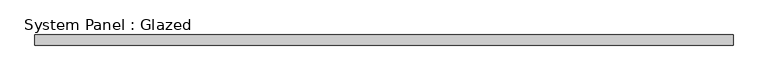
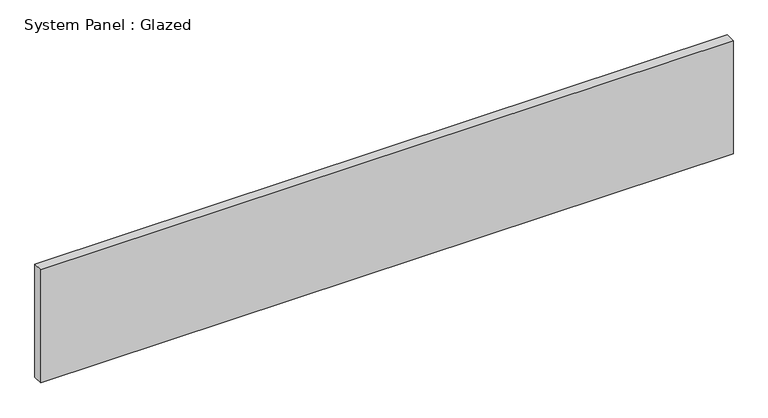
"""IFC4 building model written with IfcOpenShell, lengths in millimetres: plate geometry, System Panel : Glazed."""

from ifc_helpers import new_model, si_unit, origin, origin_with_axes, place, context, project, spatial, polyline, outline, extrude, source, transform, mapped, element, save


def system_panel_glazed_015b83a2(model_context):
    return source(origin(), model_context, "Body", "SweptSolid", [
        extrude(outline(polyline([(862.0, 24.5), (-862.0, 24.5), (-862.0, 49.5), (862.0, 49.5), (862.0, 24.5)])), origin_with_axes(), (0.0, 0.0, 1.0), 297.1692572),
    ])


if __name__ == "__main__":
    model = new_model("IFC4")
    model_context = context("Model", 3, world=origin())
    ifc_project = project(units=[si_unit("LENGTHUNIT", "METRE", prefix="MILLI")], contexts=[model_context])
    site = spatial("IfcSite", under=ifc_project)
    building = spatial("IfcBuilding", under=site)
    placement = place(None, origin())
    system_panel_glazed_shape = system_panel_glazed_015b83a2(model_context)
    element("IfcPlate", 1, ObjectType="System Panel : Glazed", at=placement, inside=building, context=model_context, shape_type="MappedRepresentation", body=[
        mapped(system_panel_glazed_shape, transform((0.0, 0.0, 0.0), x_axis=(1.0, 0.0, 0.0), y_axis=(0.0, 1.0, 0.0), z_axis=(0.0, 0.0, 1.0))),
    ])
    save(model, "model.ifc")
